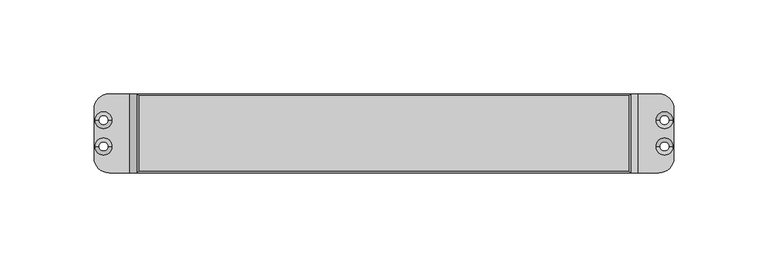
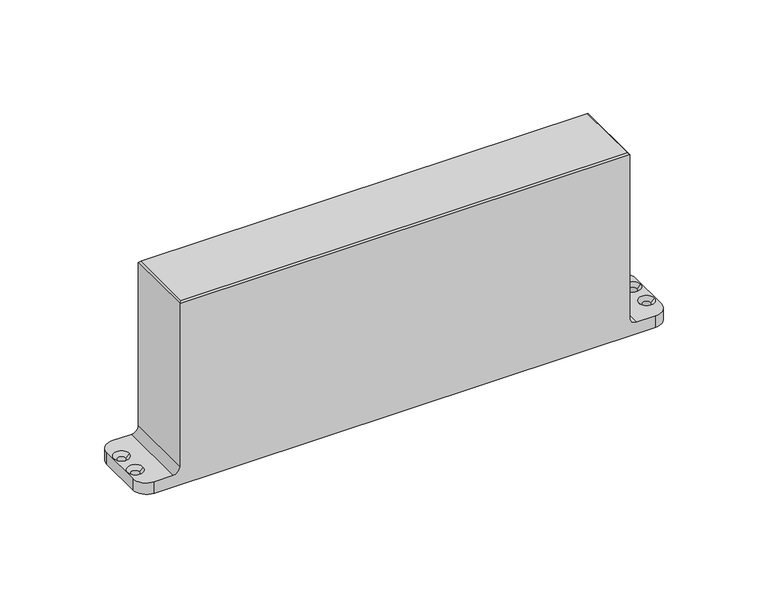
"""IFC4 building model written with IfcOpenShell, lengths in millimetres: proxy geometry."""

from ifc_helpers import new_model, si_unit, frame, origin, origin_with_axes, place, context, project, spatial, polyline, circle_curve, ellipse_curve, source, transform, mapped, element, save
from ifc_brep_helpers import plane_surface, cylinder_surface, revolved_surface, spline_surface, advanced_brep


def generic_models_c82fb979(model_context):
    return source(origin(), model_context, "Body", "AdvancedBrep", [
        advanced_brep(
        [(7.5, 0.0, 1.0), (-7.5, 0.0, 1.0), (6.75, 0.0, -8.6), (-6.75, 0.0, -8.6)],
        [
            (0, 1, ellipse_curve(frame((0.0, 0.0, 1.0), z_axis=(0.0, 0.0, 1.0), x_axis=(-1.0, 0.0, 0.0)), 7.5, 4.8)),
            (1, 0, ellipse_curve(frame((0.0, 0.0, 1.0), z_axis=(0.0, 0.0, 1.0), x_axis=(-1.0, 0.0, 0.0)), 7.5, 4.8)),
            (2, 3, ellipse_curve(frame((0.0, 0.0, -8.6), z_axis=(0.0, 0.0, -1.0), x_axis=(-1.0, 0.0, 0.0)), 6.75, 4.0)),
            (3, 2, ellipse_curve(frame((0.0, 0.0, -8.6), z_axis=(0.0, 0.0, -1.0), x_axis=(-1.0, 0.0, 0.0)), 6.75, 4.0)),
            (3, 1),
            (0, 2),
        ],
        [
            plane_surface(frame((0.0, 0.0, 1.0), z_axis=(0.0, 0.0, 1.0), x_axis=(0.0, 1.0, 0.0))),
            plane_surface(frame((0.0, 0.0, -8.6), z_axis=(0.0, 0.0, -1.0), x_axis=(0.0, 1.0, 0.0))),
            spline_surface(2, 1, [[(6.75, 0.0, -8.6), (7.5, 0.0, 1.0)], [(6.75, 4.0, -8.6), (7.5, 4.8, 1.0)], [(0.0, 4.0, -8.6), (0.0, 4.8, 1.0)], [(-6.75, 4.0, -8.6), (-7.5, 4.8, 1.0)], [(-6.75, 0.0, -8.6), (-7.5, 0.0, 1.0)]], [3, 2, 3], [2, 2], [0.0, 1.0, 2.0], [0.0, 1.0], weights=[[1.0, 1.0], [0.7071067811865476, 0.7071067811865476], [1.0, 1.0], [0.7071067811865476, 0.7071067811865476], [1.0, 1.0]]),
            spline_surface(2, 1, [[(-6.75, 0.0, -8.6), (-7.5, 0.0, 1.0)], [(-6.75, -4.0, -8.6), (-7.5, -4.8, 1.0)], [(0.0, -4.0, -8.6), (0.0, -4.8, 1.0)], [(6.75, -4.0, -8.6), (7.5, -4.8, 1.0)], [(6.75, 0.0, -8.6), (7.5, 0.0, 1.0)]], [3, 2, 3], [2, 2], [0.0, 1.0, 2.0], [0.0, 1.0], weights=[[1.0, 1.0], [0.7071067811865476, 0.7071067811865476], [1.0, 1.0], [0.7071067811865476, 0.7071067811865476], [1.0, 1.0]]),
        ],
        [
            (0, [[1, 2]]),
            (1, [[3, 4]]),
            (2, [[-4, 5, -1, 6]]),
            (3, [[-3, -6, -2, -5]]),
        ],
    ),
        advanced_brep(
        [(225.8, -21.0, 7.0), (221.8, -21.0, 11.0), (221.8, -21.0, 111.7), (-40.5, -21.0, 111.7), (-40.5, -21.0, 11.0), (-44.5, -21.0, 7.0), (-55.5, -21.0, 7.0), (-55.5, -21.0, 0.0), (236.7, -21.0, 0.0), (236.7, -21.0, 7.0), (-44.5, 21.0, 7.0), (-40.5, 21.0, 11.0), (-40.5, 21.0, 111.7), (221.8, 21.0, 111.7), (221.8, 21.0, 11.0), (225.8, 21.0, 7.0), (236.7, 21.0, 7.0), (236.7, 21.0, 0.0), (-55.5, 21.0, 0.0), (-55.5, 21.0, 7.0), (-63.5, -13.0, 7.0), (-63.5, 13.0, 7.0), (-63.5, 13.0, 0.0), (-63.5, -13.0, 0.0), (244.7, 13.0, 0.0), (244.7, -13.0, 0.0), (-56.0, -7.0, 0.0), (-61.0, -7.0, 0.0), (-56.0, 7.0, 0.0), (-61.0, 7.0, 0.0), (242.2, -7.0, 0.0), (237.2, -7.0, 0.0), (242.2, 7.0, 0.0), (237.2, 7.0, 0.0), (-14.0, 0.0, 0.0), (14.0, 0.0, 0.0), (244.7, 13.0, 7.0), (244.7, -13.0, 7.0), (235.2, -7.0, 7.0), (244.2, -7.0, 7.0), (235.2, 7.0, 7.0), (244.2, 7.0, 7.0), (220.8, 20.0, 112.7), (-39.5, 20.0, 112.7), (-39.5, -20.0, 112.7), (220.8, -20.0, 112.7), (-63.0, -7.0, 7.0), (-54.0, -7.0, 7.0), (-63.0, 7.0, 7.0), (-54.0, 7.0, 7.0), (-56.0, -7.0, 5.0), (-61.0, -7.0, 5.0), (-56.0, 7.0, 5.0), (-61.0, 7.0, 5.0), (237.2, -7.0, 5.0), (242.2, -7.0, 5.0), (237.2, 7.0, 5.0), (242.2, 7.0, 5.0), (-14.0, 0.0, 1.0), (14.0, 0.0, 1.0)],
        [
            (0, 1, circle_curve(frame((225.8, -21.0, 11.0), z_axis=(0.0, 1.0, 0.0), x_axis=(1.0, 0.0, 0.0)), 4.0)),
            (1, 2),
            (2, 3),
            (3, 4),
            (4, 5, circle_curve(frame((-44.5, -21.0, 11.0), z_axis=(0.0, 1.0, 0.0), x_axis=(1.0, 0.0, 0.0)), 4.0)),
            (5, 6),
            (6, 7),
            (7, 8),
            (8, 9),
            (9, 0),
            (10, 11, circle_curve(frame((-44.5, 21.0, 11.0), z_axis=(0.0, -1.0, 0.0), x_axis=(1.0, 0.0, 0.0)), 4.0)),
            (11, 12),
            (12, 13),
            (13, 14),
            (14, 15, circle_curve(frame((225.8, 21.0, 11.0), z_axis=(0.0, -1.0, 0.0), x_axis=(1.0, 0.0, 0.0)), 4.0)),
            (15, 16),
            (16, 17),
            (17, 18),
            (18, 19),
            (19, 10),
            (20, 21),
            (21, 22),
            (22, 23),
            (23, 20),
            (7, 23, circle_curve(frame((-55.5, -13.0, 0.0), z_axis=(0.0, 0.0, -1.0), x_axis=(1.0, 0.0, 0.0)), 8.0)),
            (22, 18, circle_curve(frame((-55.5, 13.0, 0.0), z_axis=(0.0, 0.0, -1.0), x_axis=(1.0, 0.0, 0.0)), 8.0)),
            (17, 24, circle_curve(frame((236.7, 13.0, 0.0), z_axis=(0.0, 0.0, -1.0), x_axis=(-1.0, 0.0, 0.0)), 8.0)),
            (24, 25),
            (25, 8, circle_curve(frame((236.7, -13.0, 0.0), z_axis=(0.0, 0.0, -1.0), x_axis=(-1.0, 0.0, 0.0)), 8.0)),
            (26, 27, circle_curve(frame((-58.5, -7.0, 0.0), z_axis=(0.0, 0.0, 1.0), x_axis=(-1.0, 0.0, 0.0)), 2.5)),
            (27, 26, circle_curve(frame((-58.5, -7.0, 0.0), z_axis=(0.0, 0.0, 1.0), x_axis=(-1.0, 0.0, 0.0)), 2.5)),
            (28, 29, circle_curve(frame((-58.5, 7.0, 0.0), z_axis=(0.0, 0.0, 1.0), x_axis=(-1.0, 0.0, 0.0)), 2.5)),
            (29, 28, circle_curve(frame((-58.5, 7.0, 0.0), z_axis=(0.0, 0.0, 1.0), x_axis=(-1.0, 0.0, 0.0)), 2.5)),
            (30, 31, circle_curve(frame((239.7, -7.0, 0.0), z_axis=(0.0, 0.0, 1.0), x_axis=(1.0, 0.0, 0.0)), 2.5)),
            (31, 30, circle_curve(frame((239.7, -7.0, 0.0), z_axis=(0.0, 0.0, 1.0), x_axis=(1.0, 0.0, 0.0)), 2.5)),
            (32, 33, circle_curve(frame((239.7, 7.0, 0.0), z_axis=(0.0, 0.0, 1.0), x_axis=(1.0, 0.0, 0.0)), 2.5)),
            (33, 32, circle_curve(frame((239.7, 7.0, 0.0), z_axis=(0.0, 0.0, 1.0), x_axis=(1.0, 0.0, 0.0)), 2.5)),
            (34, 35, circle_curve(origin_with_axes(), 14.0)),
            (35, 34, circle_curve(origin_with_axes(), 14.0)),
            (24, 36),
            (36, 37),
            (37, 25),
            (15, 0),
            (9, 37, circle_curve(frame((236.7, -13.0, 7.0), z_axis=(0.0, 0.0, 1.0), x_axis=(-1.0, 0.0, 0.0)), 8.0)),
            (36, 16, circle_curve(frame((236.7, 13.0, 7.0), z_axis=(0.0, 0.0, 1.0), x_axis=(-1.0, 0.0, 0.0)), 8.0)),
            (38, 39, circle_curve(frame((239.7, -7.0, 7.0), z_axis=(0.0, 0.0, -1.0), x_axis=(1.0, 0.0, 0.0)), 4.5)),
            (39, 38, circle_curve(frame((239.7, -7.0, 7.0), z_axis=(0.0, 0.0, -1.0), x_axis=(1.0, 0.0, 0.0)), 4.5)),
            (40, 41, circle_curve(frame((239.7, 7.0, 7.0), z_axis=(0.0, 0.0, -1.0), x_axis=(1.0, 0.0, 0.0)), 4.5)),
            (41, 40, circle_curve(frame((239.7, 7.0, 7.0), z_axis=(0.0, 0.0, -1.0), x_axis=(1.0, 0.0, 0.0)), 4.5)),
            (14, 1),
            (13, 2),
            (42, 43),
            (43, 44),
            (44, 45),
            (45, 42),
            (11, 4),
            (3, 12),
            (10, 5),
            (19, 21, circle_curve(frame((-55.5, 13.0, 7.0), z_axis=(0.0, 0.0, 1.0), x_axis=(1.0, 0.0, 0.0)), 8.0)),
            (20, 6, circle_curve(frame((-55.5, -13.0, 7.0), z_axis=(0.0, 0.0, 1.0), x_axis=(1.0, 0.0, 0.0)), 8.0)),
            (46, 47, circle_curve(frame((-58.5, -7.0, 7.0), z_axis=(0.0, 0.0, -1.0), x_axis=(-1.0, 0.0, 0.0)), 4.5)),
            (47, 46, circle_curve(frame((-58.5, -7.0, 7.0), z_axis=(0.0, 0.0, -1.0), x_axis=(-1.0, 0.0, 0.0)), 4.5)),
            (48, 49, circle_curve(frame((-58.5, 7.0, 7.0), z_axis=(0.0, 0.0, -1.0), x_axis=(-1.0, 0.0, 0.0)), 4.5)),
            (49, 48, circle_curve(frame((-58.5, 7.0, 7.0), z_axis=(0.0, 0.0, -1.0), x_axis=(-1.0, 0.0, 0.0)), 4.5)),
            (50, 47),
            (46, 51),
            (51, 50, circle_curve(frame((-58.5, -7.0, 5.0), z_axis=(0.0, 0.0, -1.0), x_axis=(-1.0, 0.0, 0.0)), 2.5)),
            (50, 51, circle_curve(frame((-58.5, -7.0, 5.0), z_axis=(0.0, 0.0, -1.0), x_axis=(-1.0, 0.0, 0.0)), 2.5)),
            (51, 27),
            (26, 50),
            (52, 49),
            (48, 53),
            (53, 52, circle_curve(frame((-58.5, 7.0, 5.0), z_axis=(0.0, 0.0, -1.0), x_axis=(-1.0, 0.0, 0.0)), 2.5)),
            (52, 53, circle_curve(frame((-58.5, 7.0, 5.0), z_axis=(0.0, 0.0, -1.0), x_axis=(-1.0, 0.0, 0.0)), 2.5)),
            (53, 29),
            (28, 52),
            (38, 54),
            (54, 55, circle_curve(frame((239.7, -7.0, 5.0), z_axis=(0.0, 0.0, -1.0), x_axis=(1.0, 0.0, 0.0)), 2.5)),
            (55, 39),
            (55, 54, circle_curve(frame((239.7, -7.0, 5.0), z_axis=(0.0, 0.0, -1.0), x_axis=(1.0, 0.0, 0.0)), 2.5)),
            (54, 31),
            (30, 55),
            (40, 56),
            (56, 57, circle_curve(frame((239.7, 7.0, 5.0), z_axis=(0.0, 0.0, -1.0), x_axis=(1.0, 0.0, 0.0)), 2.5)),
            (57, 41),
            (57, 56, circle_curve(frame((239.7, 7.0, 5.0), z_axis=(0.0, 0.0, -1.0), x_axis=(1.0, 0.0, 0.0)), 2.5)),
            (56, 33),
            (32, 57),
            (42, 13),
            (12, 43),
            (45, 2),
            (44, 3),
            (58, 59, circle_curve(frame((0.0, 0.0, 1.0), z_axis=(0.0, 0.0, -1.0), x_axis=(1.0, 0.0, 0.0)), 14.0)),
            (59, 58, circle_curve(frame((0.0, 0.0, 1.0), z_axis=(0.0, 0.0, -1.0), x_axis=(1.0, 0.0, 0.0)), 14.0)),
            (59, 35),
            (34, 58),
        ],
        [
            plane_surface(frame((-63.5, -21.0, 0.0), z_axis=(0.0, -1.0, 0.0), x_axis=(0.0, 0.0, -1.0))),
            plane_surface(frame((-63.5, 21.0, 0.0), z_axis=(0.0, 1.0, 0.0), x_axis=(0.0, 0.0, 1.0))),
            plane_surface(frame((-63.5, -21.0, 7.0), z_axis=(-1.0, 0.0, 0.0), x_axis=(0.0, 1.0, 0.0))),
            plane_surface(frame((-63.5, -21.0, 0.0), z_axis=(0.0, 0.0, -1.0), x_axis=(0.0, 1.0, 0.0))),
            plane_surface(frame((244.7, -21.0, 0.0), z_axis=(1.0, 0.0, 0.0), x_axis=(0.0, 1.0, 0.0))),
            plane_surface(frame((244.7, -21.0, 7.0), z_axis=(0.0, 0.0, 1.0), x_axis=(0.0, 1.0, 0.0))),
            revolved_surface(polyline([(229.8, 21.0, 11.0), (229.8, -21.0, 11.0)]), (225.8, 21.0, 11.0), (0.0, 1.0, 0.0)),
            plane_surface(frame((221.8, -21.0, 11.0), z_axis=(1.0, 0.0, 0.0), x_axis=(0.0, 1.0, 0.0))),
            plane_surface(frame((221.8, -21.0, 112.7), z_axis=(0.0, 0.0, 1.0), x_axis=(0.0, 1.0, 0.0))),
            plane_surface(frame((-40.5, -21.0, 112.7), z_axis=(-1.0, 0.0, 0.0), x_axis=(0.0, 1.0, 0.0))),
            revolved_surface(polyline([(-40.5, 21.0, 11.0), (-40.5, -21.0, 11.0)]), (-44.5, 21.0, 11.0), (0.0, 1.0, 0.0)),
            plane_surface(frame((-44.5, -21.0, 7.0), z_axis=(0.0, 0.0, 1.0), x_axis=(0.0, 1.0, 0.0))),
            revolved_surface(polyline([(-61.0, -7.0, 5.0), (-63.0, -7.0, 7.0)]), (-58.5, -7.0, 7.0), (0.0, 0.0, -1.0)),
            revolved_surface(polyline([(-61.0, -7.0, 0.0), (-61.0, -7.0, 5.0)]), (-58.5, -7.0, 7.0), (0.0, 0.0, -1.0)),
            revolved_surface(polyline([(-61.0, 7.0, 5.0), (-63.0, 7.0, 7.0)]), (-58.5, 7.0, 7.0), (0.0, 0.0, -1.0)),
            revolved_surface(polyline([(-61.0, 7.0, 0.0), (-61.0, 7.0, 5.0)]), (-58.5, 7.0, 7.0), (0.0, 0.0, -1.0)),
            revolved_surface(polyline([(244.2, -7.0, 7.0), (242.2, -7.0, 5.0)]), (239.7, -7.0, 7.0), (0.0, 0.0, 1.0)),
            revolved_surface(polyline([(242.2, -7.0, 5.0), (242.2, -7.0, 0.0)]), (239.7, -7.0, 7.0), (0.0, 0.0, 1.0)),
            revolved_surface(polyline([(244.2, 7.0, 7.0), (242.2, 7.0, 5.0)]), (239.7, 7.0, 7.0), (0.0, 0.0, 1.0)),
            revolved_surface(polyline([(242.2, 7.0, 5.0), (242.2, 7.0, 0.0)]), (239.7, 7.0, 7.0), (0.0, 0.0, 1.0)),
            plane_surface(frame((-40.5, 21.0, 111.7), z_axis=(0.0, 0.7071067811865517, 0.7071067811865435), x_axis=(1.0, 0.0, 0.0))),
            plane_surface(frame((221.8, 21.0, 111.7), z_axis=(0.7071067811865528, 0.0, 0.7071067811865424), x_axis=(0.0, -1.0, 0.0))),
            plane_surface(frame((221.8, -21.0, 111.7), z_axis=(0.0, -0.7071067811865517, 0.7071067811865435), x_axis=(-1.0, 0.0, 0.0))),
            plane_surface(frame((-40.5, -21.0, 111.7), z_axis=(-0.7071067811865506, 0.0, 0.7071067811865446), x_axis=(0.0, 1.0, 0.0))),
            plane_surface(frame((14.0, 0.0, 1.0), z_axis=(0.0, 0.0, -1.0), x_axis=(0.0, 1.0, 0.0))),
            revolved_surface(polyline([(14.0, 0.0, 1.0), (14.0, 0.0, 0.0)]), (0.0, 0.0, 0.0), (0.0, 0.0, 1.0)),
            cylinder_surface(frame((-55.5, -13.0, 0.0), z_axis=(0.0, 0.0, -1.0), x_axis=(1.0, 0.0, 0.0)), 8.0),
            cylinder_surface(frame((-55.5, 13.0, 0.0), z_axis=(0.0, 0.0, -1.0), x_axis=(1.0, 0.0, 0.0)), 8.0),
            cylinder_surface(frame((236.7, -13.0, 0.0), z_axis=(0.0, 0.0, -1.0), x_axis=(-1.0, 0.0, 0.0)), 8.0),
            cylinder_surface(frame((236.7, 13.0, 0.0), z_axis=(0.0, 0.0, -1.0), x_axis=(-1.0, 0.0, 0.0)), 8.0),
        ],
        [
            (0, [[1, 2, 3, 4, 5, 6, 7, 8, 9, 10]]),
            (1, [[11, 12, 13, 14, 15, 16, 17, 18, 19, 20]]),
            (2, [[21, 22, 23, 24]]),
            (3, [[-8, 25, -23, 26, -18, 27, 28, 29], [30, 31], [32, 33], [34, 35], [36, 37], [38, 39]]),
            (4, [[-28, 40, 41, 42]]),
            (5, [[43, -10, 44, -41, 45, -16], [46, 47], [48, 49]]),
            (6, [[-1, -43, -15, 50]]),
            (7, [[-50, -14, 51, -2]]),
            (8, [[52, 53, 54, 55]]),
            (9, [[56, -4, 57, -12]]),
            (10, [[-5, -56, -11, 58]]),
            (11, [[-58, -20, 59, -21, 60, -6], [61, 62], [63, 64]]),
            (12, [[65, -61, 66, 67]]),
            (12, [[-65, 68, -66, -62]]),
            (13, [[-67, 69, -30, 70]]),
            (13, [[-68, -70, -31, -69]]),
            (14, [[71, -63, 72, 73]]),
            (14, [[-71, 74, -72, -64]]),
            (15, [[-73, 75, -32, 76]]),
            (15, [[-74, -76, -33, -75]]),
            (16, [[77, 78, 79, -46]]),
            (16, [[-77, -47, -79, 80]]),
            (17, [[-78, 81, -34, 82]]),
            (17, [[-80, -82, -35, -81]]),
            (18, [[83, 84, 85, -48]]),
            (18, [[-83, -49, -85, 86]]),
            (19, [[-84, 87, -36, 88]]),
            (19, [[-86, -88, -37, -87]]),
            (20, [[89, -13, 90, -52]]),
            (21, [[-89, -55, 91, -51]]),
            (22, [[-91, -54, 92, -3]]),
            (23, [[-90, -57, -92, -53]]),
            (24, [[93, 94]]),
            (25, [[-94, 95, -38, 96]]),
            (25, [[-93, -96, -39, -95]]),
            (26, [[-7, -60, -24, -25]]),
            (27, [[-19, -26, -22, -59]]),
            (28, [[-9, -29, -42, -44]]),
            (29, [[-17, -45, -40, -27]]),
        ],
    ),
    ])


if __name__ == "__main__":
    model = new_model("IFC4")
    model_context = context("Model", 3, world=origin())
    ifc_project = project(units=[si_unit("LENGTHUNIT", "METRE", prefix="MILLI")], contexts=[model_context])
    site = spatial("IfcSite", under=ifc_project)
    building = spatial("IfcBuilding", under=site)
    placement = place(None, origin())
    generic_models_shape = generic_models_c82fb979(model_context)
    element("IfcBuildingElementProxy", 1, Name="Generic Models", at=placement, inside=building, context=model_context, shape_type="MappedRepresentation", body=[
        mapped(generic_models_shape, transform((0.0, 0.0, 0.0), x_axis=(1.0, 0.0, 0.0), y_axis=(0.0, 1.0, 0.0), z_axis=(0.0, 0.0, 1.0))),
    ])
    save(model, "model.ifc")
